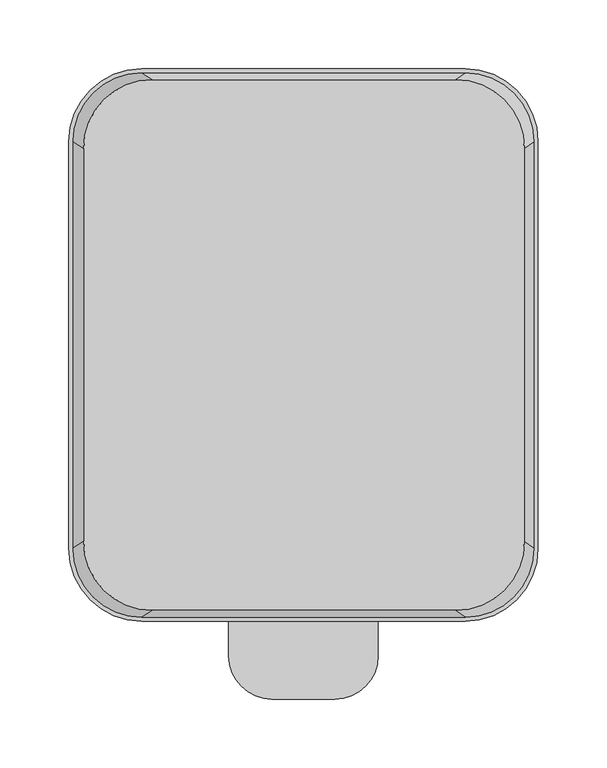
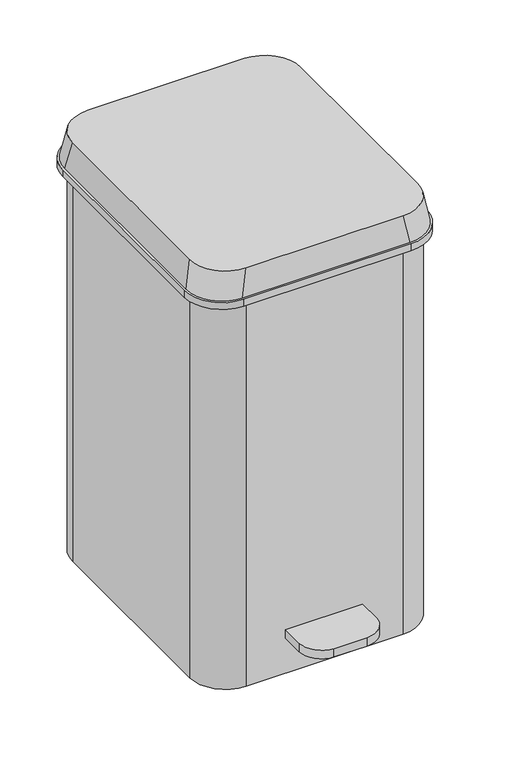
"""IFC4 building model written with IfcOpenShell, lengths in millimetres: proxy geometry."""

from ifc_helpers import new_model, si_unit, point, frame, frame_2d, origin, origin_with_axes, place, context, project, spatial, polyline, circle_curve, trimmed, segment, composite_curve, outline, extrude, source, transform, mapped, element, save
from ifc_brep_helpers import plane_surface, extruded_surface, advanced_brep


def specialty_equipment_a79c9ea8(model_context):
    return source(origin(), model_context, "Body", "SolidModel", [
        extrude(outline(composite_curve([segment(polyline([(-54.5549878, -192.5), (53.7754552, -192.5), (53.7754552, -225.5014719)]), True, "CONTINUOUS"), segment(trimmed(circle_curve(frame_2d((22.6182813, -225.5014719)), 31.1571739), [point((53.7754552, -225.5014719))], [point((22.6182813, -256.6586458))], False, "CARTESIAN"), True, "CONTINUOUS"), segment(polyline([(22.6182813, -256.6586458), (-23.3978138, -256.6586458)]), True, "CONTINUOUS"), segment(trimmed(circle_curve(frame_2d((-23.3978138, -225.5014719)), 31.1571739), [point((-23.3978138, -256.6586458))], [point((-54.5549878, -225.5014719))], False, "CARTESIAN"), True, "CONTINUOUS"), segment(polyline([(-54.5549878, -225.5014719), (-54.5549878, -192.5)]), True, "CONTINUOUS")], self_intersect=False)), frame((0.0, 0.0, 52.0909287), z_axis=(0.0, 0.0, 1.0), x_axis=(1.0, 0.0, 0.0)), (0.0, 0.0, 1.0), 12.4172915),
        extrude(outline(composite_curve([segment(trimmed(circle_curve(frame_2d((117.1102337, 147.4738361)), 52.7314153), [point((117.1102337, 200.2052514))], [point((169.841649, 147.4738361))], False, "CARTESIAN"), True, "CONTINUOUS"), segment(polyline([(169.841649, 147.4738361), (169.841649, -147.5261639)]), True, "CONTINUOUS"), segment(trimmed(circle_curve(frame_2d((117.1102337, -147.5261639)), 52.7314153), [point((169.841649, -147.5261639))], [point((117.1102337, -200.2575792))], False, "CARTESIAN"), True, "CONTINUOUS"), segment(polyline([(117.1102337, -200.2575792), (-117.8897663, -200.2575792)]), True, "CONTINUOUS"), segment(trimmed(circle_curve(frame_2d((-117.8897663, -147.5261639)), 52.7314153), [point((-117.8897663, -200.2575792))], [point((-170.6211816, -147.5261639))], False, "CARTESIAN"), True, "CONTINUOUS"), segment(polyline([(-170.6211816, -147.5261639), (-170.6211816, 147.4738361)]), True, "CONTINUOUS"), segment(trimmed(circle_curve(frame_2d((-117.8897663, 147.4738361)), 52.7314153), [point((-170.6211816, 147.4738361))], [point((-117.8897663, 200.2052514))], False, "CARTESIAN"), True, "CONTINUOUS"), segment(polyline([(-117.8897663, 200.2052514), (117.1102337, 200.2052514)]), True, "CONTINUOUS")], self_intersect=False), holes=[composite_curve([segment(trimmed(circle_curve(frame_2d((117.1102337, -147.5261639)), 47.7314153), [point((117.1102337, -195.2575792))], [point((164.841649, -147.5261639))], True, "CARTESIAN"), True, "CONTINUOUS"), segment(polyline([(164.841649, -147.5261639), (164.841649, 147.4738361)]), True, "CONTINUOUS"), segment(trimmed(circle_curve(frame_2d((117.1102337, 147.4738361)), 47.7314153), [point((164.841649, 147.4738361))], [point((117.1102337, 195.2052514))], True, "CARTESIAN"), True, "CONTINUOUS"), segment(polyline([(117.1102337, 195.2052514), (-117.8897663, 195.2052514)]), True, "CONTINUOUS"), segment(trimmed(circle_curve(frame_2d((-117.8897663, 147.4738361)), 47.7314153), [point((-117.8897663, 195.2052514))], [point((-165.6211816, 147.4738361))], True, "CARTESIAN"), True, "CONTINUOUS"), segment(polyline([(-165.6211816, 147.4738361), (-165.6211816, -147.5261639)]), True, "CONTINUOUS"), segment(trimmed(circle_curve(frame_2d((-117.8897663, -147.5261639)), 47.7314153), [point((-165.6211816, -147.5261639))], [point((-117.8897663, -195.2575792))], True, "CARTESIAN"), True, "CONTINUOUS"), segment(polyline([(-117.8897663, -195.2575792), (117.1102337, -195.2575792)]), True, "CONTINUOUS")], self_intersect=False)]), frame((0.0, 0.0, 570.8375322), z_axis=(0.0, 0.0, 1.0), x_axis=(1.0, 0.0, 0.0)), (0.0, 0.0, 1.0), 10.0),
        advanced_brep(
        [(167.1102337, 147.4738361, 580.8375322), (167.1102337, -147.5261639, 580.8375322), (117.1102337, -197.5261639, 580.8375322), (-117.8897663, -197.5261639, 580.8375322), (-167.8897663, -147.5261639, 580.8375322), (-167.8897663, 147.4738361, 580.8375322), (-117.8897663, 197.4738361, 580.8375322), (117.1102337, 197.4738361, 580.8375322), (160.0, 142.5, 620.0), (110.0, 192.5, 620.0), (-110.0, 192.5, 620.0), (-160.0, 142.5, 620.0), (-160.0, -142.5, 620.0), (-110.0, -192.5, 620.0), (110.0, -192.5, 620.0), (160.0, -142.5, 620.0)],
        [
            (0, 1),
            (1, 2, circle_curve(frame((117.1102337, -147.5261639, 580.8375322), z_axis=(0.0, 0.0, -1.0), x_axis=(1.0, 0.0, 0.0)), 50.0)),
            (2, 3),
            (3, 4, circle_curve(frame((-117.8897663, -147.5261639, 580.8375322), z_axis=(0.0, 0.0, -1.0), x_axis=(1.0, 0.0, 0.0)), 50.0)),
            (4, 5),
            (5, 6, circle_curve(frame((-117.8897663, 147.4738361, 580.8375322), z_axis=(0.0, 0.0, -1.0), x_axis=(1.0, 0.0, 0.0)), 50.0)),
            (6, 7),
            (7, 0, circle_curve(frame((117.1102337, 147.4738361, 580.8375322), z_axis=(0.0, 0.0, -1.0), x_axis=(1.0, 0.0, 0.0)), 50.0)),
            (8, 9, circle_curve(frame((110.0, 142.5, 620.0), z_axis=(0.0, 0.0, 1.0), x_axis=(1.0, 0.0, 0.0)), 50.0)),
            (9, 10),
            (10, 11, circle_curve(frame((-110.0, 142.5, 620.0), z_axis=(0.0, 0.0, 1.0), x_axis=(1.0, 0.0, 0.0)), 50.0)),
            (11, 12),
            (12, 13, circle_curve(frame((-110.0, -142.5, 620.0), z_axis=(0.0, 0.0, 1.0), x_axis=(1.0, 0.0, 0.0)), 50.0)),
            (13, 14),
            (14, 15, circle_curve(frame((110.0, -142.5, 620.0), z_axis=(0.0, 0.0, 1.0), x_axis=(1.0, 0.0, 0.0)), 50.0)),
            (15, 8),
            (9, 7),
            (6, 10),
            (13, 3),
            (2, 14),
            (15, 1),
            (0, 8),
            (12, 4),
            (11, 5),
        ],
        [
            plane_surface(frame((-0.3897663, -0.0261639, 580.8375322), z_axis=(0.0, 0.0, -1.0), x_axis=(-1.0, 0.0, 0.0))),
            plane_surface(frame((0.0, 0.0, 620.0), z_axis=(0.0, 0.0, 1.0), x_axis=(-1.0, 0.0, 0.0))),
            plane_surface(frame((0.0, 192.5, 620.0), z_axis=(0.0, 0.9920311194250747, 0.12599308747797772), x_axis=(1.0, 0.0, 0.0))),
            plane_surface(frame((0.0, -192.5, 620.0), z_axis=(0.0, -0.991864614044797, 0.1272972403697977), x_axis=(-1.0, 0.0, 0.0))),
            plane_surface(frame((160.0, 0.0, 620.0), z_axis=(0.9839150474199011, 0.0, 0.17863700473500396), x_axis=(0.0, -1.0, 0.0))),
            extruded_surface(trimmed(circle_curve(frame((110.0, -142.5, 620.0), z_axis=(0.0, 0.0, -1.0), x_axis=(1.0, 0.0, 0.0)), 50.0), [point((160.0, -142.5, 620.0))], [point((110.0, -192.5, 620.0))], True, "CARTESIAN"), (7.110233699999995, -5.0261639, -39.162467799999945), 40.11878152442209),
            extruded_surface(trimmed(circle_curve(frame((-110.0, -142.5, 620.0), z_axis=(0.0, 0.0, -1.0), x_axis=(1.0, 0.0, 0.0)), 50.0), [point((-110.0, -192.5, 620.0))], [point((-160.0, -142.5, 620.0))], True, "CARTESIAN"), (-7.889766300000005, -5.0261639, -39.162467799999945), 40.26424741634086),
            plane_surface(frame((-160.0, 0.0, 620.0), z_axis=(-0.9803040077577069, 0.0, 0.19749443631195784), x_axis=(0.0, 1.0, 0.0))),
            extruded_surface(trimmed(circle_curve(frame((-110.0, 142.5, 620.0), z_axis=(0.0, 0.0, -1.0), x_axis=(1.0, 0.0, 0.0)), 50.0), [point((-160.0, 142.5, 620.0))], [point((-110.0, 192.5, 620.0))], True, "CARTESIAN"), (-7.889766300000005, 4.9738361, -39.162467799999945), 40.25774884422018),
            extruded_surface(trimmed(circle_curve(frame((110.0, 142.5, 620.0), z_axis=(0.0, 0.0, -1.0), x_axis=(1.0, 0.0, 0.0)), 50.0), [point((110.0, 192.5, 620.0))], [point((160.0, 142.5, 620.0))], True, "CARTESIAN"), (7.110233699999995, 4.9738361, -39.162467799999945), 40.11225938543367),
        ],
        [
            (0, [[1, 2, 3, 4, 5, 6, 7, 8]]),
            (1, [[9, 10, 11, 12, 13, 14, 15, 16]]),
            (2, [[-10, 17, -7, 18]]),
            (3, [[-14, 19, -3, 20]]),
            (4, [[-16, 21, -1, 22]]),
            (5, [[-15, -20, -2, -21]]),
            (6, [[-13, 23, -4, -19]]),
            (7, [[-12, 24, -5, -23]]),
            (8, [[-11, -18, -6, -24]]),
            (9, [[-9, -22, -8, -17]]),
        ],
    ),
        extrude(outline(composite_curve([segment(polyline([(160.0, 142.5), (160.0, -142.5)]), True, "CONTINUOUS"), segment(trimmed(circle_curve(frame_2d((110.0, -142.5)), 50.0), [point((160.0, -142.5))], [point((110.0, -192.5))], False, "CARTESIAN"), True, "CONTINUOUS"), segment(polyline([(110.0, -192.5), (-110.0, -192.5)]), True, "CONTINUOUS"), segment(trimmed(circle_curve(frame_2d((-110.0, -142.5)), 50.0), [point((-110.0, -192.5))], [point((-160.0, -142.5))], False, "CARTESIAN"), True, "CONTINUOUS"), segment(polyline([(-160.0, -142.5), (-160.0, 142.5)]), True, "CONTINUOUS"), segment(trimmed(circle_curve(frame_2d((-110.0, 142.5)), 50.0), [point((-160.0, 142.5))], [point((-110.0, 192.5))], False, "CARTESIAN"), True, "CONTINUOUS"), segment(polyline([(-110.0, 192.5), (110.0, 192.5)]), True, "CONTINUOUS"), segment(trimmed(circle_curve(frame_2d((110.0, 142.5)), 50.0), [point((110.0, 192.5))], [point((160.0, 142.5))], False, "CARTESIAN"), True, "CONTINUOUS")], self_intersect=False)), origin_with_axes(), (0.0, 0.0, 1.0), 580.8375322),
    ])


if __name__ == "__main__":
    model = new_model("IFC4")
    model_context = context("Model", 3, world=origin())
    ifc_project = project(units=[si_unit("LENGTHUNIT", "METRE", prefix="MILLI")], contexts=[model_context])
    site = spatial("IfcSite", under=ifc_project)
    building = spatial("IfcBuilding", under=site)
    placement = place(None, origin())
    specialty_equipment_shape = specialty_equipment_a79c9ea8(model_context)
    element("IfcBuildingElementProxy", 1, Name="Specialty Equipment", at=placement, inside=building, context=model_context, shape_type="MappedRepresentation", body=[
        mapped(specialty_equipment_shape, transform((0.0, 0.0, 0.0), x_axis=(1.0, 0.0, 0.0), y_axis=(0.0, 1.0, 0.0), z_axis=(0.0, 0.0, 1.0))),
    ])
    save(model, "model.ifc")
